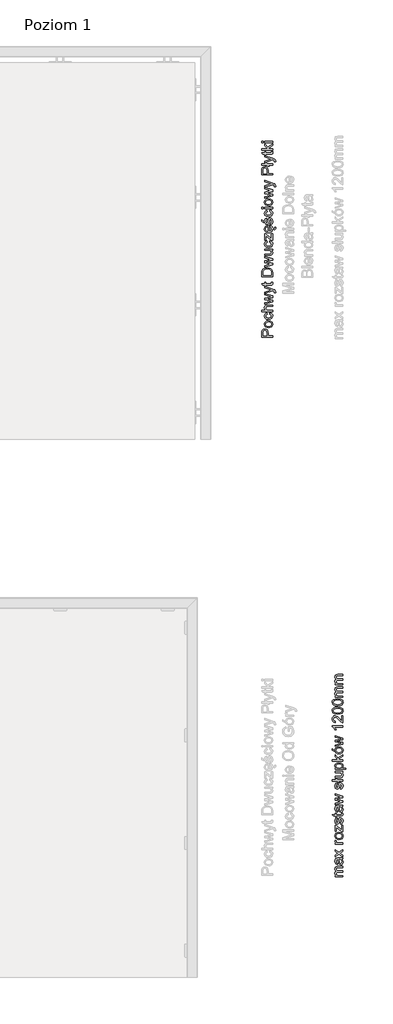
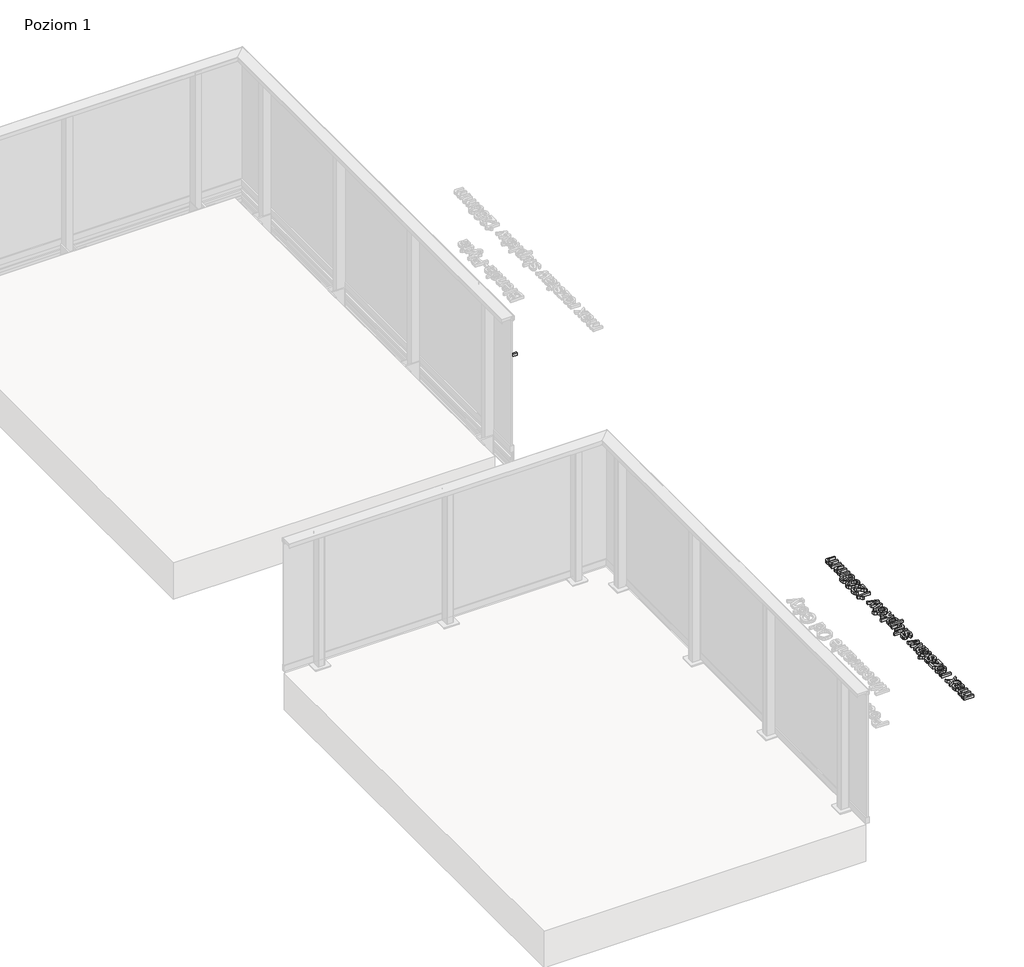
# One storey, part 25 of 35: 2 proxies.
"""IFC4 building model written with IfcOpenShell, lengths in millimetres."""

from ifc_helpers import new_model, si_unit, origin, origin_with_axes, place, context, project, spatial, polyline, outline, extrude, element, save

model = new_model("IFC4")

# Units and contexts
model_context = context("Model", 3, world=origin())
ifc_project = project(units=[si_unit("LENGTHUNIT", "METRE", prefix="MILLI")], contexts=[model_context])

# Site, building, storey
site = spatial("IfcSite", under=ifc_project)
building = spatial("IfcBuilding", under=site)
storey = spatial("IfcBuildingStorey", under=building, Name="Poziom 1", Elevation=0.0)

# Proxies
placement = place(None, origin())
element("IfcBuildingElementProxy", 1, Name="Generic Models", at=placement, inside=storey, context=model_context, shape_type="SweptSolid", body=[
    extrude(outline(polyline([(20115.5993765, -8679.4031308), (20015.1430664, -8679.4031308), (20015.1430664, -8642.1734729), (20016.0995596, -8627.1638875), (20020.7961864, -8614.962468), (20030.508271, -8607.0530051), (20044.205744, -8604.0608982), (20056.0454129, -8606.0811835), (20065.9107817, -8612.1420393), (20072.5694458, -8623.4758705), (20074.7890005, -8641.3150815), (20074.7890005, -8666.846092), (20115.5993765, -8666.846092), (20115.5993765, -8679.4031308)]), holes=[polyline([(20062.2319618, -8666.846092), (20062.2319618, -8640.5793176), (20057.6211741, -8622.0871159), (20052.0722873, -8617.9852317), (20044.6472024, -8616.6179369), (20034.2484047, -8619.8430358), (20028.5584965, -8628.3165844), (20027.7001052, -8640.8736232), (20027.7001052, -8666.846092), (20062.2319618, -8666.846092)])]), origin_with_axes(), (0.0, 0.0, 1.0), 20.0),
    extrude(outline(polyline([(20078.7130752, -8591.5038594), (20060.9259807, -8588.787664), (20048.4241242, -8580.6390778), (20042.298889, -8570.5713739), (20040.2571439, -8558.5171072), (20042.7434131, -8545.325472), (20050.2022205, -8534.7887185), (20062.0449551, -8527.881734), (20077.6830056, -8525.5794059), (20100.0257054, -8529.6506333), (20112.6685833, -8541.5086963), (20117.1690064, -8558.5171072), (20114.6919343, -8571.8681579), (20107.260718, -8582.3926487), (20095.1696631, -8589.2260567), (20078.7130752, -8591.5038594)]), holes=[polyline([(20078.6885497, -8578.9468206), (20090.0530377, -8577.4936868), (20098.1495072, -8573.1342851), (20102.9963525, -8566.5737229), (20104.6119676, -8558.5171072), (20102.9871555, -8550.4972797), (20098.112719, -8543.9489802), (20089.9089505, -8539.5895785), (20078.2961422, -8538.1364446), (20067.2627481, -8539.5987756), (20059.2766431, -8543.9857684), (20054.4297978, -8550.5432649), (20052.8141827, -8558.5171072), (20054.4236664, -8566.5737229), (20059.2521176, -8573.1342851), (20067.3301931, -8577.4936868), (20078.6885497, -8578.9468206)])]), origin_with_axes(), (0.0, 0.0, 1.0), 20.0),
    extrude(outline(polyline([(20088.9156692, -8464.3638419), (20090.485299, -8451.8068031), (20101.6535832, -8455.3078134), (20110.0934093, -8461.8867698), (20115.4001071, -8470.9244041), (20117.1690064, -8481.8014484), (20114.7011313, -8495.1586305), (20107.2975062, -8505.6034135), (20095.2830934, -8512.3448511), (20078.9828553, -8514.5919969), (20058.1239462, -8510.7537615), (20044.7207788, -8499.055114), (20040.2571439, -8481.9731267), (20041.7899856, -8471.3627968), (20046.3885105, -8462.8800512), (20053.8074641, -8456.7946698), (20063.8015916, -8453.3764329), (20065.3712215, -8465.9334717), (20055.9657051, -8471.75827), (20052.8141827, -8481.8750248), (20054.3654184, -8489.9898885), (20059.0191257, -8496.4308891), (20067.0266904, -8500.6339409), (20078.6394988, -8502.0349582), (20090.4086569, -8500.6645977), (20098.4438128, -8496.5535164), (20103.0699289, -8490.2290118), (20104.6119676, -8482.2183814), (20100.7614694, -8470.3848439), (20088.9156692, -8464.3638419)])), origin_with_axes(), (0.0, 0.0, 1.0), 20.0),
    extrude(outline(polyline([(20115.5993765, -8440.8193942), (20015.1430664, -8440.8193942), (20015.1430664, -8428.2623554), (20052.0784187, -8428.2623554), (20043.2124626, -8418.470563), (20040.2571439, -8406.4101649), (20043.4822427, -8392.3080217), (20052.3972498, -8383.748634), (20068.9028886, -8381.17346), (20115.5993765, -8381.17346), (20115.5993765, -8393.7304988), (20070.2027383, -8393.7304988), (20056.9589865, -8397.7281498), (20052.8141827, -8409.0589153), (20055.6100859, -8419.3473484), (20063.188455, -8426.214479), (20076.4076813, -8428.2623554), (20115.5993765, -8428.2623554), (20115.5993765, -8440.8193942)])), origin_with_axes(), (0.0, 0.0, 1.0), 20.0),
    extrude(outline(polyline([(20115.5993765, -8351.669324), (20041.8267738, -8374.1101257), (20041.8267738, -8361.0625776), (20084.8689672, -8348.3338606), (20100.2464346, -8344.5324133), (20085.4330529, -8341.4176791), (20041.8267738, -8331.2886615), (20041.8267738, -8316.328127), (20085.3104256, -8306.2481603), (20098.7258557, -8303.4767826), (20084.5746616, -8299.5036571), (20041.8267738, -8286.7504146), (20041.8267738, -8273.6538156), (20115.5993765, -8296.2662955), (20115.5993765, -8311.4475592), (20072.3364539, -8321.0860675), (20058.8474474, -8323.8819706), (20115.5993765, -8336.3163821), (20115.5993765, -8351.669324)])), origin_with_axes(), (0.0, 0.0, 1.0), 20.0),
    extrude(outline(polyline([(20143.8527138, -8265.0208514), (20131.7616589, -8266.5904813), (20132.8653048, -8260.21386), (20131.479616, -8254.2541717), (20127.616855, -8250.5998772), (20118.3707542, -8247.1663119), (20115.3295964, -8246.1852933), (20041.8267738, -8272.8690006), (20041.8267738, -8259.6252488), (20082.7843026, -8245.4740547), (20099.1673141, -8240.544436), (20084.6972889, -8235.6148173), (20041.8267738, -8221.0712157), (20041.8267738, -8207.9255658), (20117.3652101, -8233.603729), (20133.7482216, -8240.2746559), (20142.601915, -8247.5587194), (20145.4223436, -8257.3443804), (20143.8527138, -8265.0208514)])), origin_with_axes(), (0.0, 0.0, 1.0), 20.0),
    extrude(outline(polyline([(20105.1270024, -8170.8430606), (20115.9672585, -8169.2734308), (20117.1690064, -8178.6666844), (20115.0843417, -8189.1881095), (20109.6151627, -8194.4365593), (20095.3658668, -8195.9571382), (20054.3838125, -8195.9571382), (20054.3838125, -8205.3749173), (20041.8267738, -8205.3749173), (20041.8267738, -8195.9571382), (20023.8986579, -8195.9571382), (20016.5164925, -8183.4000994), (20041.8267738, -8183.4000994), (20041.8267738, -8170.8430606), (20054.3838125, -8170.8430606), (20054.3838125, -8183.4000994), (20094.9979848, -8183.4000994), (20101.4727079, -8182.7379118), (20103.765839, -8180.5919335), (20104.6119676, -8176.3122396), (20105.1270024, -8170.8430606)])), origin_with_axes(), (0.0, 0.0, 1.0), 20.0),
    extrude(outline(polyline([(20115.5993765, -8117.4756459), (20015.1430664, -8117.4756459), (20015.1430664, -8082.8211619), (20016.5900689, -8064.893046), (20023.7760305, -8050.1287153), (20040.943857, -8038.2338641), (20064.8316612, -8034.285264), (20085.1019591, -8036.9585399), (20099.7313998, -8043.8256704), (20108.8426106, -8052.9981949), (20113.8825939, -8065.0034106), (20115.5993765, -8081.1534302), (20115.5993765, -8117.4756459)]), holes=[polyline([(20103.0423378, -8104.9186071), (20103.0423378, -8082.6985346), (20101.2274533, -8066.5362523), (20096.1016308, -8057.2165751), (20083.6304312, -8049.5768923), (20064.6354575, -8046.8423028), (20050.9502472, -8048.1820064), (20040.8457551, -8052.2011172), (20029.7111934, -8065.2364026), (20027.7001052, -8083.0418911), (20027.7001052, -8104.9186071), (20103.0423378, -8104.9186071)])]), origin_with_axes(), (0.0, 0.0, 1.0), 20.0),
    extrude(outline(polyline([(20115.5993765, -8006.3507579), (20041.8267738, -8028.7915596), (20041.8267738, -8015.7440115), (20084.8689672, -8003.0152944), (20100.2464346, -7999.2138472), (20085.4330529, -7996.0991129), (20041.8267738, -7985.9700953), (20041.8267738, -7971.0095609), (20085.3104256, -7960.9295942), (20098.7258557, -7958.1582165), (20084.5746616, -7954.185091), (20041.8267738, -7941.4318485), (20041.8267738, -7928.3352494), (20115.5993765, -7950.9477294), (20115.5993765, -7966.1289931), (20072.3364539, -7975.7675013), (20058.8474474, -7978.5634045), (20115.5993765, -7990.9978159), (20115.5993765, -8006.3507579)])), origin_with_axes(), (0.0, 0.0, 1.0), 20.0),
    extrude(outline(polyline([(20115.5993765, -7872.6133899), (20102.9197104, -7872.6133899), (20113.6066824, -7882.4481019), (20117.1690064, -7895.2749208), (20114.6674088, -7907.0839328), (20108.3888894, -7915.2263877), (20099.1427886, -7918.9665213), (20087.4686666, -7919.7022853), (20041.8267738, -7919.7022853), (20041.8267738, -7907.1452465), (20081.5580292, -7907.1452465), (20094.3603227, -7906.384957), (20101.8773781, -7901.4185501), (20104.6119676, -7892.0620847), (20101.8160644, -7881.5774478), (20094.2009071, -7874.6490036), (20080.2091286, -7872.6133899), (20041.8267738, -7872.6133899), (20041.8267738, -7860.0563511), (20115.5993765, -7860.0563511), (20115.5993765, -7872.6133899)])), origin_with_axes(), (0.0, 0.0, 1.0), 20.0),
    extrude(outline(polyline([(20088.9156692, -7795.7015274), (20090.485299, -7783.1444887), (20101.6535832, -7786.645499), (20110.0934093, -7793.2244553), (20115.4001071, -7802.2620897), (20117.1690064, -7813.139134), (20114.7011313, -7826.4963161), (20107.2975062, -7836.9410991), (20095.2830934, -7843.6825367), (20078.9828553, -7845.9296825), (20058.1239462, -7842.091447), (20044.7207788, -7830.3927996), (20040.2571439, -7813.3108123), (20041.7899856, -7802.7004824), (20046.3885105, -7794.2177367), (20053.8074641, -7788.1323554), (20063.8015916, -7784.7141185), (20065.3712215, -7797.2711573), (20055.9657051, -7803.0959555), (20052.8141827, -7813.2127104), (20054.3654184, -7821.3275741), (20059.0191257, -7827.7685747), (20067.0266904, -7831.9716265), (20078.6394988, -7833.3726437), (20090.4086569, -7832.0022833), (20098.4438128, -7827.891202), (20103.0699289, -7821.5666974), (20104.6119676, -7813.5560669), (20100.7614694, -7801.7225294), (20088.9156692, -7795.7015274)])), origin_with_axes(), (0.0, 0.0, 1.0), 20.0),
    extrude(outline(polyline([(20115.5993765, -7780.005229), (20103.7781018, -7780.005229), (20054.3838125, -7736.6687299), (20054.3838125, -7749.4955488), (20054.3838125, -7776.8659693), (20041.8267738, -7776.8659693), (20041.8267738, -7718.789665), (20052.4953516, -7718.789665), (20096.32236, -7757.2210707), (20103.0423378, -7763.1071827), (20103.0423378, -7748.5881066), (20103.0423378, -7717.2200351), (20115.5993765, -7717.2200351), (20115.5993765, -7780.005229)])), origin_with_axes(), (0.0, 0.0, 1.0), 20.0),
    extrude(outline(polyline([(20093.6245587, -7653.0123642), (20095.1941885, -7640.7005801), (20104.4709462, -7645.1366239), (20111.4055218, -7652.2152866), (20115.768218, -7662.1077933), (20121.6694295, -7667.9851614), (20128.9902812, -7670.1311397), (20133.9689508, -7668.5982981), (20136.0045645, -7663.6318912), (20135.5631061, -7660.4926315), (20134.3858838, -7657.574101), (20143.0433734, -7657.574101), (20145.4223436, -7666.3787434), (20144.4167995, -7672.1544907), (20141.6454218, -7676.2747691), (20137.5864571, -7678.7395784), (20132.6691011, -7679.5489188), (20123.7540941, -7677.0963722), (20116.8755159, -7671.241823), (20117.1690064, -7673.6628069), (20114.6827372, -7688.3964808), (20107.2239298, -7699.7333776), (20095.276962, -7706.9622588), (20079.3262118, -7709.3718859), (20062.8389671, -7706.9377334), (20050.5087889, -7699.6352758), (20042.8200552, -7688.4516631), (20040.2571439, -7674.3740454), (20042.8139238, -7660.7348205), (20050.4842634, -7649.8363163), (20062.7899161, -7642.6902086), (20079.2526354, -7640.3081727), (20082.6371498, -7640.3817491), (20082.6371498, -7696.8148471), (20092.0365347, -7694.6412777), (20098.9465849, -7689.5920973), (20103.1956219, -7682.3049681), (20104.6119676, -7673.4175522), (20101.9877427, -7661.1057681), (20093.6245587, -7653.0123642)]), holes=[polyline([(20070.080111, -7696.8148471), (20070.080111, -7652.8652114), (20058.7002946, -7657.892932), (20054.2857107, -7665.2137837), (20052.8141827, -7674.4230964), (20057.5108095, -7689.8864029), (20063.0014483, -7694.7516423), (20070.080111, -7696.8148471)])]), origin_with_axes(), (0.0, 0.0, 1.0), 20.0),
    extrude(outline(polyline([(20093.6245587, -7632.4600234), (20092.0549288, -7619.9029847), (20101.3746061, -7614.0904491), (20104.6119676, -7600.7731209), (20101.6443862, -7587.9708275), (20094.6791537, -7583.8014982), (20089.0382965, -7587.995353), (20085.4575784, -7600.9202737), (20079.3139491, -7619.8294083), (20072.1402502, -7628.0822277), (20062.0112326, -7630.8903936), (20052.6547672, -7628.6340507), (20045.5055937, -7622.4781586), (20041.7899856, -7614.4951193), (20040.2571439, -7603.6916514), (20042.7219533, -7588.4122859), (20049.3928801, -7578.7002012), (20060.6623319, -7574.3837191), (20062.2319618, -7586.9407579), (20055.3035175, -7591.6619102), (20052.8141827, -7602.7106328), (20055.1931529, -7614.7281113), (20060.7359083, -7618.3333548), (20064.3902028, -7616.8373014), (20067.1615805, -7612.1529373), (20069.8348563, -7601.3372066), (20075.7454937, -7582.9063187), (20082.440946, -7574.3469309), (20093.3547786, -7571.2444594), (20105.3722571, -7574.8864912), (20114.0910604, -7585.3956535), (20117.1690064, -7600.9447992), (20115.6852157, -7613.6060712), (20111.2338435, -7622.8460406), (20103.8639409, -7629.0141954), (20093.6245587, -7632.4600234)])), origin_with_axes(), (0.0, 0.0, 1.0), 20.0),
    extrude(outline(polyline([(20033.9786245, -7613.6244653), (20015.1430664, -7604.2066862), (20015.1430664, -7588.5103878), (20033.9786245, -7604.2066862), (20033.9786245, -7613.6244653)])), origin_with_axes(), (0.0, 0.0, 1.0), 20.0),
    extrude(outline(polyline([(20088.9156692, -7510.0288954), (20090.485299, -7497.4718567), (20101.6535832, -7500.972867), (20110.0934093, -7507.5518233), (20115.4001071, -7516.5894577), (20117.1690064, -7527.466502), (20114.7011313, -7540.8236841), (20107.2975062, -7551.2684671), (20095.2830934, -7558.0099047), (20078.9828553, -7560.2570505), (20058.1239462, -7556.418815), (20044.7207788, -7544.7201676), (20040.2571439, -7527.6381803), (20041.7899856, -7517.0278504), (20046.3885105, -7508.5451047), (20053.8074641, -7502.4597234), (20063.8015916, -7499.0414865), (20065.3712215, -7511.5985253), (20055.9657051, -7517.4233235), (20052.8141827, -7527.5400784), (20054.3654184, -7535.6549421), (20059.0191257, -7542.0959427), (20067.0266904, -7546.2989945), (20078.6394988, -7547.7000118), (20090.4086569, -7546.3296513), (20098.4438128, -7542.21857), (20103.0699289, -7535.8940654), (20104.6119676, -7527.8834349), (20100.7614694, -7516.0498974), (20088.9156692, -7510.0288954)])), origin_with_axes(), (0.0, 0.0, 1.0), 20.0),
    extrude(outline(polyline([(20027.7001052, -7486.4844478), (20015.1430664, -7486.4844478), (20015.1430664, -7473.927409), (20027.7001052, -7473.927409), (20027.7001052, -7486.4844478)])), origin_with_axes(), (0.0, 0.0, 1.0), 20.0),
    extrude(outline(polyline([(20115.5993765, -7486.4844478), (20041.8267738, -7486.4844478), (20041.8267738, -7473.927409), (20115.5993765, -7473.927409), (20115.5993765, -7486.4844478)])), origin_with_axes(), (0.0, 0.0, 1.0), 20.0),
    extrude(outline(polyline([(20078.7130752, -7458.2311105), (20060.9259807, -7455.5149151), (20048.4241242, -7447.3663289), (20042.298889, -7437.298625), (20040.2571439, -7425.2443583), (20042.7434131, -7412.0527231), (20050.2022205, -7401.5159696), (20062.0449551, -7394.6089851), (20077.6830056, -7392.306657), (20100.0257054, -7396.3778844), (20112.6685833, -7408.2359474), (20117.1690064, -7425.2443583), (20114.6919343, -7438.595409), (20107.260718, -7449.1198998), (20095.1696631, -7455.9533078), (20078.7130752, -7458.2311105)]), holes=[polyline([(20078.6885497, -7445.6740718), (20090.0530377, -7444.2209379), (20098.1495072, -7439.8615362), (20102.9963525, -7433.300974), (20104.6119676, -7425.2443583), (20102.9871555, -7417.2245308), (20098.112719, -7410.6762313), (20089.9089505, -7406.3168296), (20078.2961422, -7404.8636958), (20067.2627481, -7406.3260267), (20059.2766431, -7410.7130195), (20054.4297978, -7417.270516), (20052.8141827, -7425.2443583), (20054.4236664, -7433.300974), (20059.2521176, -7439.8615362), (20067.3301931, -7444.2209379), (20078.6885497, -7445.6740718)])]), origin_with_axes(), (0.0, 0.0, 1.0), 20.0),
    extrude(outline(polyline([(20115.5993765, -7365.9417807), (20041.8267738, -7388.3825824), (20041.8267738, -7375.3350343), (20084.8689672, -7362.6063172), (20100.2464346, -7358.80487), (20085.4330529, -7355.6901357), (20041.8267738, -7345.5611181), (20041.8267738, -7330.6005837), (20085.3104256, -7320.520617), (20098.7258557, -7317.7492393), (20084.5746616, -7313.7761138), (20041.8267738, -7301.0228713), (20041.8267738, -7287.9262722), (20115.5993765, -7310.5387522), (20115.5993765, -7325.7200159), (20072.3364539, -7335.3585241), (20058.8474474, -7338.1544273), (20115.5993765, -7350.5888387), (20115.5993765, -7365.9417807)])), origin_with_axes(), (0.0, 0.0, 1.0), 20.0),
    extrude(outline(polyline([(20143.8527138, -7279.2933081), (20131.7616589, -7280.8629379), (20132.8653048, -7274.4863167), (20131.479616, -7268.5266283), (20127.616855, -7264.8723339), (20118.3707542, -7261.4387686), (20115.3295964, -7260.4577499), (20041.8267738, -7287.1414573), (20041.8267738, -7273.8977055), (20082.7843026, -7259.7465114), (20099.1673141, -7254.8168927), (20084.6972889, -7249.8872739), (20041.8267738, -7235.3436724), (20041.8267738, -7222.1980224), (20117.3652101, -7247.8761857), (20133.7482216, -7254.5471125), (20142.601915, -7261.831176), (20145.4223436, -7271.6168371), (20143.8527138, -7279.2933081)])), origin_with_axes(), (0.0, 0.0, 1.0), 20.0),
    extrude(outline(polyline([(20115.5993765, -7170.9888487), (20015.1430664, -7170.9888487), (20015.1430664, -7133.7591908), (20016.0995596, -7118.7496054), (20020.7961864, -7106.5481859), (20030.508271, -7098.638723), (20044.205744, -7095.6466161), (20056.0454129, -7097.6669014), (20065.9107817, -7103.7277572), (20072.5694458, -7115.0615884), (20074.7890005, -7132.9007995), (20074.7890005, -7158.4318099), (20115.5993765, -7158.4318099), (20115.5993765, -7170.9888487)]), holes=[polyline([(20062.2319618, -7158.4318099), (20062.2319618, -7132.1650355), (20057.6211741, -7113.6728338), (20052.0722873, -7109.5709496), (20044.6472024, -7108.2036548), (20034.2484047, -7111.4287537), (20028.5584965, -7119.9023023), (20027.7001052, -7132.4593411), (20027.7001052, -7158.4318099), (20062.2319618, -7158.4318099)])]), origin_with_axes(), (0.0, 0.0, 1.0), 20.0),
    extrude(outline(polyline([(20075.8926465, -7079.9503176), (20083.4219647, -7089.3680967), (20069.2952961, -7089.3680967), (20061.7659779, -7079.9503176), (20015.1430664, -7079.9503176), (20015.1430664, -7067.3932788), (20051.7105367, -7067.3932788), (20044.1812185, -7057.9754998), (20058.3078872, -7057.9754998), (20065.8372053, -7067.3932788), (20115.5993765, -7067.3932788), (20115.5993765, -7079.9503176), (20075.8926465, -7079.9503176)])), origin_with_axes(), (0.0, 0.0, 1.0), 20.0),
    extrude(outline(polyline([(20143.8527138, -7048.5577207), (20131.7616589, -7050.1273505), (20132.8653048, -7043.7507293), (20131.479616, -7037.791041), (20127.616855, -7034.1367465), (20118.3707542, -7030.7031812), (20115.3295964, -7029.7221625), (20041.8267738, -7056.4058699), (20041.8267738, -7043.1621181), (20082.7843026, -7029.010924), (20099.1673141, -7024.0813053), (20084.6972889, -7019.1516865), (20041.8267738, -7004.608085), (20041.8267738, -6991.462435), (20117.3652101, -7017.1405983), (20133.7482216, -7023.8115252), (20142.601915, -7031.0955887), (20145.4223436, -7040.8812497), (20143.8527138, -7048.5577207)])), origin_with_axes(), (0.0, 0.0, 1.0), 20.0),
    extrude(outline(polyline([(20105.1270024, -6954.3799299), (20115.9672585, -6952.8103001), (20117.1690064, -6962.2035537), (20115.0843417, -6972.7249788), (20109.6151627, -6977.9734286), (20095.3658668, -6979.4940075), (20054.3838125, -6979.4940075), (20054.3838125, -6988.9117865), (20041.8267738, -6988.9117865), (20041.8267738, -6979.4940075), (20023.8986579, -6979.4940075), (20016.5164925, -6966.9369687), (20041.8267738, -6966.9369687), (20041.8267738, -6954.3799299), (20054.3838125, -6954.3799299), (20054.3838125, -6966.9369687), (20094.9979848, -6966.9369687), (20101.4727079, -6966.2747811), (20103.765839, -6964.1288028), (20104.6119676, -6959.8491089), (20105.1270024, -6954.3799299)])), origin_with_axes(), (0.0, 0.0, 1.0), 20.0),
    extrude(outline(polyline([(20115.5993765, -6941.8228912), (20015.1430664, -6941.8228912), (20015.1430664, -6929.2658524), (20069.1236178, -6929.2658524), (20041.8267738, -6901.110617), (20041.8267738, -6883.7465869), (20069.4669743, -6912.2451787), (20115.5993765, -6882.176957), (20115.5993765, -6896.8431859), (20078.1980404, -6921.2460249), (20085.9726132, -6929.2658524), (20115.5993765, -6929.2658524), (20115.5993765, -6941.8228912)])), origin_with_axes(), (0.0, 0.0, 1.0), 20.0),
    extrude(outline(polyline([(20027.7001052, -6871.1895481), (20015.1430664, -6871.1895481), (20015.1430664, -6858.6325093), (20027.7001052, -6858.6325093), (20027.7001052, -6871.1895481)])), origin_with_axes(), (0.0, 0.0, 1.0), 20.0),
    extrude(outline(polyline([(20115.5993765, -6871.1895481), (20041.8267738, -6871.1895481), (20041.8267738, -6858.6325093), (20115.5993765, -6858.6325093), (20115.5993765, -6871.1895481)])), origin_with_axes(), (0.0, 0.0, 1.0), 20.0),
])
element("IfcBuildingElementProxy", 2, Name="Generic Models", at=placement, inside=storey, context=model_context, shape_type="SweptSolid", body=[
    extrude(outline(polyline([(20769.7173752, -13695.0976583), (20695.9447724, -13695.0976583), (20695.9447724, -13682.5406196), (20708.0848783, -13682.5406196), (20698.1398017, -13673.9076554), (20694.3751426, -13661.6203968), (20698.2133781, -13649.0388325), (20708.9677951, -13642.122651), (20698.0233057, -13632.3247272), (20694.3751426, -13619.9516294), (20695.8926558, -13610.5123906), (20700.4451955, -13603.5318297), (20708.155389, -13599.2184133), (20719.1458636, -13597.7806079), (20769.7173752, -13597.7806079), (20769.7173752, -13610.3376466), (20724.5414662, -13610.3376466), (20714.0568293, -13611.5026063), (20708.8942187, -13615.7209865), (20706.9321813, -13622.8946854), (20711.959902, -13635.2432577), (20718.5020701, -13638.9312747), (20728.0731333, -13640.1606137), (20769.7173752, -13640.1606137), (20769.7173752, -13652.7176525), (20723.1435146, -13652.7176525), (20710.9788833, -13655.6239202), (20706.9321813, -13665.1520639), (20709.6299826, -13674.4472157), (20717.5271828, -13680.6276332), (20732.5122427, -13682.5406196), (20769.7173752, -13682.5406196), (20769.7173752, -13695.0976583)])), origin_with_axes(), (0.0, 0.0, 1.0), 20.0),
    extrude(outline(polyline([(20760.2995961, -13531.8561543), (20768.8099329, -13544.0330484), (20771.287005, -13557.4852667), (20769.797083, -13567.9791006), (20765.3273167, -13575.7199509), (20758.5398939, -13580.4932198), (20750.0970021, -13582.0843094), (20740.1641882, -13579.6808137), (20732.9537011, -13573.3655061), (20728.8334228, -13564.5731264), (20726.9449619, -13553.7083448), (20722.6284798, -13531.9297307), (20719.8325766, -13531.8561543), (20710.5619504, -13535.3142451), (20706.9321813, -13549.195659), (20709.3479398, -13561.8998506), (20717.9195903, -13567.9576408), (20716.3499604, -13580.5146796), (20704.0872273, -13575.0822888), (20696.9012656, -13564.1439308), (20694.3751426, -13547.5769783), (20696.60696, -13532.3589264), (20702.2110291, -13523.7627504), (20710.7336286, -13519.9122522), (20721.7210376, -13519.2991156), (20737.3437596, -13519.2991156), (20759.1591619, -13518.6614534), (20769.7173752, -13516.1598559), (20769.7173752, -13528.7168946), (20760.2995961, -13531.8561543)]), holes=[polyline([(20735.1855186, -13531.8561543), (20739.0360168, -13552.1141895), (20741.0716305, -13562.9176575), (20744.3825685, -13567.810488), (20749.2140853, -13569.5272706), (20756.0076395, -13565.787137), (20758.7299663, -13554.8119908), (20755.7255966, -13542.1077993), (20748.4537959, -13533.9162935), (20738.7417112, -13531.9297307), (20735.1855186, -13531.8561543)])]), origin_with_axes(), (0.0, 0.0, 1.0), 20.0),
    extrude(outline(polyline([(20769.7173752, -13509.8813365), (20732.6348701, -13483.0504763), (20695.9447724, -13508.3117066), (20695.9447724, -13493.2040194), (20713.6031082, -13481.0148626), (20721.9417668, -13475.3249544), (20715.1236871, -13470.3953357), (20695.9447724, -13456.5139217), (20695.9447724, -13441.4062344), (20732.6348701, -13467.942789), (20769.7173752, -13442.3872531), (20769.7173752, -13457.4949404), (20747.4237263, -13472.8724078), (20743.3524989, -13475.6928364), (20769.7173752, -13494.7736492), (20769.7173752, -13509.8813365)])), origin_with_axes(), (0.0, 0.0, 1.0), 20.0),
    extrude(outline(polyline([(20769.7173752, -13392.159098), (20695.9447724, -13392.159098), (20695.9447724, -13381.1716891), (20706.858605, -13381.1716891), (20696.8031637, -13373.3725908), (20694.3751426, -13365.5244416), (20698.2501663, -13352.9183519), (20709.5073553, -13357.1122066), (20706.9321813, -13365.9413745), (20709.4092535, -13373.041497), (20716.276384, -13377.5664456), (20730.9426129, -13379.6020593), (20769.7173752, -13379.6020593), (20769.7173752, -13392.159098)])), origin_with_axes(), (0.0, 0.0, 1.0), 20.0),
    extrude(outline(polyline([(20732.8310738, -13348.2094623), (20715.0439793, -13345.4932669), (20702.5421229, -13337.3446807), (20696.4168877, -13327.2769768), (20694.3751426, -13315.2227101), (20696.8614117, -13302.0310749), (20704.3202192, -13291.4943214), (20716.1629537, -13284.587337), (20731.8010042, -13282.2850088), (20754.1437041, -13286.3562362), (20766.786582, -13298.2142992), (20771.287005, -13315.2227101), (20768.8099329, -13328.5737608), (20761.3787166, -13339.0982516), (20749.2876617, -13345.9316596), (20732.8310738, -13348.2094623)]), holes=[polyline([(20732.8065483, -13335.6524236), (20744.1710363, -13334.1992897), (20752.2675059, -13329.839888), (20757.1143512, -13323.2793258), (20758.7299663, -13315.2227101), (20757.1051541, -13307.2028826), (20752.2307177, -13300.6545831), (20744.0269492, -13296.2951815), (20732.4141409, -13294.8420476), (20721.3807467, -13296.3043785), (20713.3946417, -13300.6913713), (20708.5477964, -13307.2488679), (20706.9321813, -13315.2227101), (20708.5416651, -13323.2793258), (20713.3701163, -13329.839888), (20721.4481917, -13334.1992897), (20732.8065483, -13335.6524236)])]), origin_with_axes(), (0.0, 0.0, 1.0), 20.0),
    extrude(outline(polyline([(20769.7173752, -13276.0064894), (20757.8961004, -13276.0064894), (20708.5018112, -13232.6699904), (20708.5018112, -13245.4968093), (20708.5018112, -13272.8672297), (20695.9447724, -13272.8672297), (20695.9447724, -13214.7909254), (20706.6133503, -13214.7909254), (20750.4403586, -13253.2223312), (20757.1603364, -13259.1084431), (20757.1603364, -13244.589367), (20757.1603364, -13213.2212956), (20769.7173752, -13213.2212956), (20769.7173752, -13276.0064894)])), origin_with_axes(), (0.0, 0.0, 1.0), 20.0),
    extrude(outline(polyline([(20747.7425573, -13205.3731463), (20746.1729275, -13192.8161076), (20755.4926047, -13187.003572), (20758.7299663, -13173.6862438), (20755.7623848, -13160.8839504), (20748.7971524, -13156.7146211), (20743.1562951, -13160.9084759), (20739.5755771, -13173.8333966), (20733.4319477, -13192.7425312), (20726.2582488, -13200.9953506), (20716.1292312, -13203.8035165), (20706.7727658, -13201.5471736), (20699.6235924, -13195.3912815), (20695.9079842, -13187.4082422), (20694.3751426, -13176.6047743), (20696.8399519, -13161.3254088), (20703.5108788, -13151.6133241), (20714.7803306, -13147.296842), (20716.3499604, -13159.8538808), (20709.4215162, -13164.5750331), (20706.9321813, -13175.6237557), (20709.3111516, -13187.6412342), (20714.853907, -13191.2464777), (20718.5082015, -13189.7504243), (20721.2795792, -13185.0660602), (20723.952855, -13174.2503296), (20729.8634924, -13155.8194416), (20736.5589447, -13147.2600538), (20747.4727772, -13144.1575823), (20759.4902557, -13147.7996141), (20768.209059, -13158.3087764), (20771.287005, -13173.8579221), (20769.8032143, -13186.5191941), (20765.3518422, -13195.7591635), (20757.9819395, -13201.9273183), (20747.7425573, -13205.3731463)])), origin_with_axes(), (0.0, 0.0, 1.0), 20.0),
    extrude(outline(polyline([(20759.2450011, -13103.3472063), (20770.0852572, -13101.7775765), (20771.287005, -13111.1708301), (20769.2023404, -13121.6922552), (20763.7331614, -13126.940705), (20749.4838655, -13128.4612839), (20708.5018112, -13128.4612839), (20708.5018112, -13137.879063), (20695.9447724, -13137.879063), (20695.9447724, -13128.4612839), (20678.0166565, -13128.4612839), (20670.6344912, -13115.9042451), (20695.9447724, -13115.9042451), (20695.9447724, -13103.3472063), (20708.5018112, -13103.3472063), (20708.5018112, -13115.9042451), (20749.1159835, -13115.9042451), (20755.5907066, -13115.2420575), (20757.8838377, -13113.0960792), (20758.7299663, -13108.8163853), (20759.2450011, -13103.3472063)])), origin_with_axes(), (0.0, 0.0, 1.0), 20.0),
    extrude(outline(polyline([(20760.2995961, -13043.7012722), (20768.8099329, -13055.8781662), (20771.287005, -13069.3303845), (20769.797083, -13079.8242184), (20765.3273167, -13087.5650688), (20758.5398939, -13092.3383376), (20750.0970021, -13093.9294273), (20740.1641882, -13091.5259316), (20732.9537011, -13085.210624), (20728.8334228, -13076.4182443), (20726.9449619, -13065.5534627), (20722.6284798, -13043.7748486), (20719.8325766, -13043.7012722), (20710.5619504, -13047.1593629), (20706.9321813, -13061.0407769), (20709.3479398, -13073.7449685), (20717.9195903, -13079.8027587), (20716.3499604, -13092.3597974), (20704.0872273, -13086.9274066), (20696.9012656, -13075.9890486), (20694.3751426, -13059.4220961), (20696.60696, -13044.2040443), (20702.2110291, -13035.6078683), (20710.7336286, -13031.7573701), (20721.7210376, -13031.1442334), (20737.3437596, -13031.1442334), (20759.1591619, -13030.5065713), (20769.7173752, -13028.0049737), (20769.7173752, -13040.5620125), (20760.2995961, -13043.7012722)]), holes=[polyline([(20735.1855186, -13043.7012722), (20739.0360168, -13063.9593074), (20741.0716305, -13074.7627753), (20744.3825685, -13079.6556059), (20749.2140853, -13081.3723885), (20756.0076395, -13077.6322549), (20758.7299663, -13066.6571087), (20755.7255966, -13053.9529171), (20748.4537959, -13045.7614114), (20738.7417112, -13043.7748486), (20735.1855186, -13043.7012722)])]), origin_with_axes(), (0.0, 0.0, 1.0), 20.0),
    extrude(outline(polyline([(20769.7173752, -13001.6400974), (20695.9447724, -13024.0808991), (20695.9447724, -13011.033351), (20738.9869659, -12998.304634), (20754.3644333, -12994.5031867), (20739.5510516, -12991.3884525), (20695.9447724, -12981.2594349), (20695.9447724, -12966.2989004), (20739.4284243, -12956.2189337), (20752.8438543, -12953.447556), (20738.6926603, -12949.4744305), (20695.9447724, -12936.721188), (20695.9447724, -12923.624589), (20769.7173752, -12946.2370689), (20769.7173752, -12961.4183326), (20726.4544526, -12971.0568409), (20712.9654461, -12973.852744), (20769.7173752, -12986.2871555), (20769.7173752, -13001.6400974)])), origin_with_axes(), (0.0, 0.0, 1.0), 20.0),
    extrude(outline(polyline([(20747.7425573, -12880.4597682), (20746.1729275, -12867.9027294), (20755.4926047, -12862.0901939), (20758.7299663, -12848.7728657), (20755.7623848, -12835.9705723), (20748.7971524, -12831.801243), (20743.1562951, -12835.9950977), (20739.5755771, -12848.9200185), (20733.4319477, -12867.829153), (20726.2582488, -12876.0819725), (20716.1292312, -12878.8901384), (20706.7727658, -12876.6337955), (20699.6235924, -12870.4779034), (20695.9079842, -12862.4948641), (20694.3751426, -12851.6913962), (20696.8399519, -12836.4120306), (20703.5108788, -12826.699946), (20714.7803306, -12822.3834639), (20716.3499604, -12834.9405027), (20709.4215162, -12839.6616549), (20706.9321813, -12850.7103775), (20709.3111516, -12862.727856), (20714.853907, -12866.3330996), (20718.5082015, -12864.8370461), (20721.2795792, -12860.1526821), (20723.952855, -12849.3369514), (20729.8634924, -12830.9060635), (20736.5589447, -12822.3466757), (20747.4727772, -12819.2442042), (20759.4902557, -12822.886236), (20768.209059, -12833.3953983), (20771.287005, -12848.9445439), (20769.8032143, -12861.6058159), (20765.3518422, -12870.8457854), (20757.9819395, -12877.0139402), (20747.7425573, -12880.4597682)])), origin_with_axes(), (0.0, 0.0, 1.0), 20.0),
    extrude(outline(polyline([(20730.0106452, -12805.1175356), (20737.5399633, -12814.5353147), (20723.4132947, -12814.5353147), (20715.8839766, -12805.1175356), (20669.261065, -12805.1175356), (20669.261065, -12792.5604968), (20705.8285354, -12792.5604968), (20698.2992172, -12783.1427177), (20712.4258858, -12783.1427177), (20719.955204, -12792.5604968), (20769.7173752, -12792.5604968), (20769.7173752, -12805.1175356), (20730.0106452, -12805.1175356)])), origin_with_axes(), (0.0, 0.0, 1.0), 20.0),
    extrude(outline(polyline([(20769.7173752, -12726.6360433), (20757.0377091, -12726.6360433), (20767.7246811, -12736.4707553), (20771.287005, -12749.2975742), (20768.7854075, -12761.1065862), (20762.5068881, -12769.2490411), (20753.2607873, -12772.9891747), (20741.5866653, -12773.7249387), (20695.9447724, -12773.7249387), (20695.9447724, -12761.1678999), (20735.6760279, -12761.1678999), (20748.4783213, -12760.4076104), (20755.9953768, -12755.4412035), (20758.7299663, -12746.0847381), (20755.9340631, -12735.6001012), (20748.3189058, -12728.671657), (20734.3271273, -12726.6360433), (20695.9447724, -12726.6360433), (20695.9447724, -12714.0790045), (20769.7173752, -12714.0790045), (20769.7173752, -12726.6360433)])), origin_with_axes(), (0.0, 0.0, 1.0), 20.0),
    extrude(outline(polyline([(20797.9707124, -12696.8130762), (20695.9447724, -12696.8130762), (20695.9447724, -12684.2560374), (20708.2565565, -12684.2560374), (20697.8454961, -12675.5740224), (20694.3751426, -12663.8508494), (20699.2311849, -12647.9338218), (20712.9163951, -12637.5350241), (20732.2669881, -12634.0278824), (20752.6108624, -12637.9887452), (20766.4677509, -12649.4911889), (20771.287005, -12665.3714284), (20768.0619062, -12676.2975236), (20759.9071887, -12684.2560374), (20797.9707124, -12684.2560374), (20797.9707124, -12696.8130762)]), holes=[polyline([(20733.419685, -12684.2560374), (20744.6768741, -12682.8979397), (20752.5495488, -12678.8236466), (20757.1848619, -12672.8118417), (20758.7299663, -12665.6412085), (20757.1296796, -12658.3540793), (20752.3288196, -12652.1889902), (20744.1679706, -12647.9859384), (20732.4877173, -12646.5849211), (20721.2918419, -12647.9522159), (20713.3088026, -12652.0541001), (20708.5263367, -12658.056708), (20706.9321813, -12665.1261737), (20708.6275042, -12672.2232305), (20713.7134728, -12678.4557647), (20722.0306716, -12682.8059692), (20733.419685, -12684.2560374)])]), origin_with_axes(), (0.0, 0.0, 1.0), 20.0),
    extrude(outline(polyline([(20769.7173752, -12619.9012138), (20669.261065, -12619.9012138), (20669.261065, -12607.344175), (20723.2416165, -12607.344175), (20695.9447724, -12579.1889396), (20695.9447724, -12561.8249094), (20723.584973, -12590.3235013), (20769.7173752, -12560.2552796), (20769.7173752, -12574.9215085), (20732.316039, -12599.3243475), (20740.0906118, -12607.344175), (20769.7173752, -12607.344175), (20769.7173752, -12619.9012138)])), origin_with_axes(), (0.0, 0.0, 1.0), 20.0),
    extrude(outline(polyline([(20732.8310738, -12552.4071304), (20715.0439793, -12549.690935), (20702.5421229, -12541.5423488), (20696.4168877, -12531.4746448), (20694.3751426, -12519.4203781), (20696.8614117, -12506.2287429), (20704.3202192, -12495.6919894), (20716.1629537, -12488.785005), (20731.8010042, -12486.4826768), (20754.1437041, -12490.5539042), (20766.786582, -12502.4119672), (20771.287005, -12519.4203781), (20768.8099329, -12532.7714289), (20761.3787166, -12543.2959196), (20749.2876617, -12550.1293277), (20732.8310738, -12552.4071304)]), holes=[polyline([(20732.8065483, -12539.8500916), (20744.1710363, -12538.3969577), (20752.2675059, -12534.0375561), (20757.1143512, -12527.4769938), (20758.7299663, -12519.4203781), (20757.1051541, -12511.4005506), (20752.2307177, -12504.8522511), (20744.0269492, -12500.4928495), (20732.4141409, -12499.0397156), (20721.3807467, -12500.5020465), (20713.3946417, -12504.8890393), (20708.5477964, -12511.4465359), (20706.9321813, -12519.4203781), (20708.5416651, -12527.4769938), (20713.3701163, -12534.0375561), (20721.4481917, -12538.3969577), (20732.8065483, -12539.8500916)])]), origin_with_axes(), (0.0, 0.0, 1.0), 20.0),
    extrude(outline(polyline([(20688.0966232, -12528.8626827), (20669.261065, -12519.4449036), (20669.261065, -12503.7486051), (20688.0966232, -12519.4449036), (20688.0966232, -12528.8626827)])), origin_with_axes(), (0.0, 0.0, 1.0), 20.0),
    extrude(outline(polyline([(20769.7173752, -12460.1178005), (20695.9447724, -12482.5586022), (20695.9447724, -12469.5110541), (20738.9869659, -12456.7823371), (20754.3644333, -12452.9808898), (20739.5510516, -12449.8661556), (20695.9447724, -12439.737138), (20695.9447724, -12424.7766035), (20739.4284243, -12414.6966368), (20752.8438543, -12411.9252591), (20738.6926603, -12407.9521336), (20695.9447724, -12395.1988911), (20695.9447724, -12382.1022921), (20769.7173752, -12404.714772), (20769.7173752, -12419.8960357), (20726.4544526, -12429.534544), (20712.9654461, -12432.3304471), (20769.7173752, -12444.7648586), (20769.7173752, -12460.1178005)])), origin_with_axes(), (0.0, 0.0, 1.0), 20.0),
    extrude(outline(polyline([(20769.7173752, -12290.2789461), (20769.7173752, -12302.8359848), (20691.4320866, -12302.8359848), (20699.9056352, -12314.730836), (20706.2454683, -12327.9500624), (20694.3751426, -12327.9500624), (20682.6274442, -12309.5436999), (20669.261065, -12298.37235), (20669.261065, -12290.2789461), (20769.7173752, -12290.2789461)])), origin_with_axes(), (0.0, 0.0, 1.0), 20.0),
    extrude(outline(polyline([(20757.1603364, -12196.1011553), (20769.7173752, -12196.1011553), (20769.7173752, -12262.0256088), (20761.0598856, -12260.6767082), (20747.7302946, -12253.0492882), (20733.1744303, -12237.3284642), (20712.2542075, -12215.647952), (20698.0294371, -12210.2278239), (20686.5147306, -12215.3413837), (20681.8181038, -12228.6955001), (20686.404366, -12242.6137022), (20699.0840321, -12247.8989402), (20697.5144023, -12260.455979), (20685.3681651, -12257.4117555), (20676.4960776, -12250.8297335), (20671.0698182, -12241.0532694), (20669.261065, -12228.42572), (20671.2721533, -12215.7062), (20677.305418, -12205.94813), (20686.3185269, -12199.7401214), (20697.2691476, -12197.6707852), (20709.1762615, -12199.9026026), (20721.4880456, -12207.3215562), (20738.6926603, -12225.3109857), (20750.7714524, -12239.7564854), (20757.1603364, -12245.4218681), (20757.1603364, -12196.1011553)])), origin_with_axes(), (0.0, 0.0, 1.0), 20.0),
    extrude(outline(polyline([(20720.2985605, -12183.5441165), (20691.3952984, -12179.8530339), (20674.730244, -12168.8901504), (20669.261065, -12150.5818898), (20672.4984266, -12135.9156609), (20681.8303665, -12125.7866433), (20696.6927992, -12119.9005314), (20720.2985605, -12117.619663), (20749.0791953, -12121.2739575), (20765.7810378, -12132.2000527), (20769.9105132, -12140.4314124), (20771.287005, -12150.5818898), (20768.8957721, -12163.6294379), (20761.7220732, -12173.5377263), (20744.7320564, -12181.042519), (20720.2985605, -12183.5441165)]), holes=[polyline([(20720.274035, -12170.9870778), (20740.0262325, -12169.5155498), (20751.4581655, -12165.1009658), (20756.9120161, -12158.5281409), (20758.7299663, -12150.5818898), (20756.9058847, -12142.6356387), (20751.43364, -12136.0628137), (20739.9955757, -12131.6482298), (20720.274035, -12130.1767018), (20700.9663617, -12131.5991788), (20689.4455238, -12135.86661), (20683.7249588, -12142.4271722), (20681.8181038, -12150.7290426), (20683.4980983, -12158.5894545), (20688.5380816, -12164.9047621), (20700.7762893, -12169.4664989), (20720.274035, -12170.9870778)])]), origin_with_axes(), (0.0, 0.0, 1.0), 20.0),
    extrude(outline(polyline([(20720.2985605, -12106.6322541), (20691.3952984, -12102.9411714), (20674.730244, -12091.9782879), (20669.261065, -12073.6700273), (20672.4984266, -12059.0037984), (20681.8303665, -12048.8747808), (20696.6927992, -12042.9886689), (20720.2985605, -12040.7078005), (20749.0791953, -12044.362095), (20765.7810378, -12055.2881903), (20769.9105132, -12063.5195499), (20771.287005, -12073.6700273), (20768.8957721, -12086.7175754), (20761.7220732, -12096.6258638), (20744.7320564, -12104.1306565), (20720.2985605, -12106.6322541)]), holes=[polyline([(20720.274035, -12094.0752153), (20740.0262325, -12092.6036873), (20751.4581655, -12088.1891034), (20756.9120161, -12081.6162784), (20758.7299663, -12073.6700273), (20756.9058847, -12065.7237762), (20751.43364, -12059.1509512), (20739.9955757, -12054.7363673), (20720.274035, -12053.2648393), (20700.9663617, -12054.6873164), (20689.4455238, -12058.9547475), (20683.7249588, -12065.5153098), (20681.8181038, -12073.8171801), (20683.4980983, -12081.6775921), (20688.5380816, -12087.9928997), (20700.7762893, -12092.5546364), (20720.274035, -12094.0752153)])]), origin_with_axes(), (0.0, 0.0, 1.0), 20.0),
    extrude(outline(polyline([(20769.7173752, -12026.5811319), (20695.9447724, -12026.5811319), (20695.9447724, -12014.0240932), (20708.0848783, -12014.0240932), (20698.1398017, -12005.391129), (20694.3751426, -11993.1038704), (20698.2133781, -11980.5223061), (20708.9677951, -11973.6061246), (20698.0233057, -11963.8082008), (20694.3751426, -11951.435103), (20695.8926558, -11941.9958642), (20700.4451955, -11935.0153033), (20708.155389, -11930.7018869), (20719.1458636, -11929.2640815), (20769.7173752, -11929.2640815), (20769.7173752, -11941.8211202), (20724.5414662, -11941.8211202), (20714.0568293, -11942.9860799), (20708.8942187, -11947.2044601), (20706.9321813, -11954.378159), (20711.959902, -11966.7267313), (20718.5020701, -11970.4147483), (20728.0731333, -11971.6440873), (20769.7173752, -11971.6440873), (20769.7173752, -11984.2011261), (20723.1435146, -11984.2011261), (20710.9788833, -11987.1073938), (20706.9321813, -11996.6355375), (20709.6299826, -12005.9306893), (20717.5271828, -12012.1111068), (20732.5122427, -12014.0240932), (20769.7173752, -12014.0240932), (20769.7173752, -12026.5811319)])), origin_with_axes(), (0.0, 0.0, 1.0), 20.0),
    extrude(outline(polyline([(20769.7173752, -11910.4285233), (20695.9447724, -11910.4285233), (20695.9447724, -11897.8714846), (20708.0848783, -11897.8714846), (20698.1398017, -11889.2385204), (20694.3751426, -11876.9512618), (20698.2133781, -11864.3696975), (20708.9677951, -11857.453516), (20698.0233057, -11847.6555922), (20694.3751426, -11835.2824944), (20695.8926558, -11825.8432556), (20700.4451955, -11818.8626947), (20708.155389, -11814.5492783), (20719.1458636, -11813.1114729), (20769.7173752, -11813.1114729), (20769.7173752, -11825.6685116), (20724.5414662, -11825.6685116), (20714.0568293, -11826.8334713), (20708.8942187, -11831.0518515), (20706.9321813, -11838.2255504), (20711.959902, -11850.5741227), (20718.5020701, -11854.2621397), (20728.0731333, -11855.4914787), (20769.7173752, -11855.4914787), (20769.7173752, -11868.0485175), (20723.1435146, -11868.0485175), (20710.9788833, -11870.9547852), (20706.9321813, -11880.4829289), (20709.6299826, -11889.7780807), (20717.5271828, -11895.9584982), (20732.5122427, -11897.8714846), (20769.7173752, -11897.8714846), (20769.7173752, -11910.4285233)])), origin_with_axes(), (0.0, 0.0, 1.0), 20.0),
])

save(model, "model.ifc")
